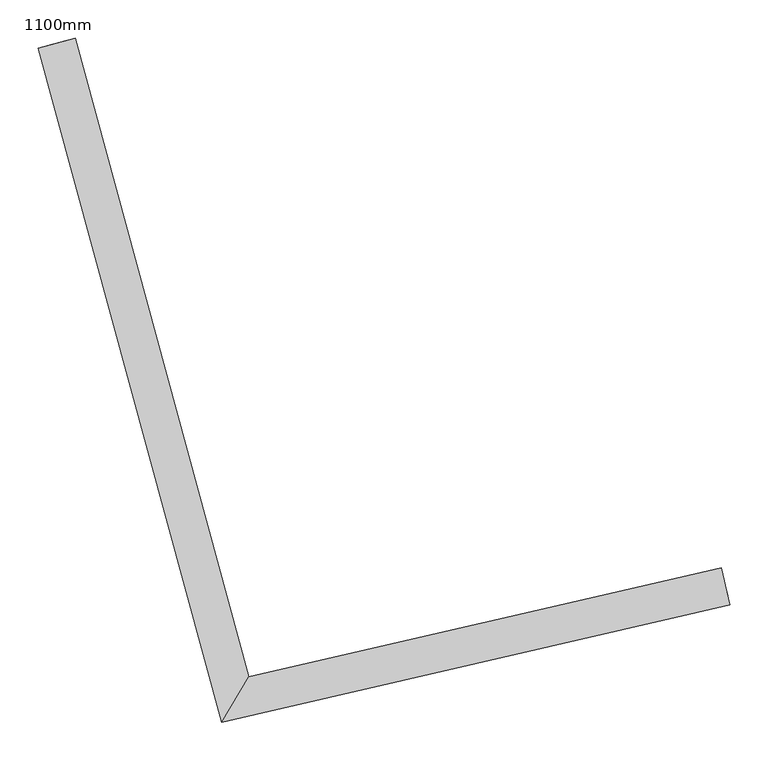
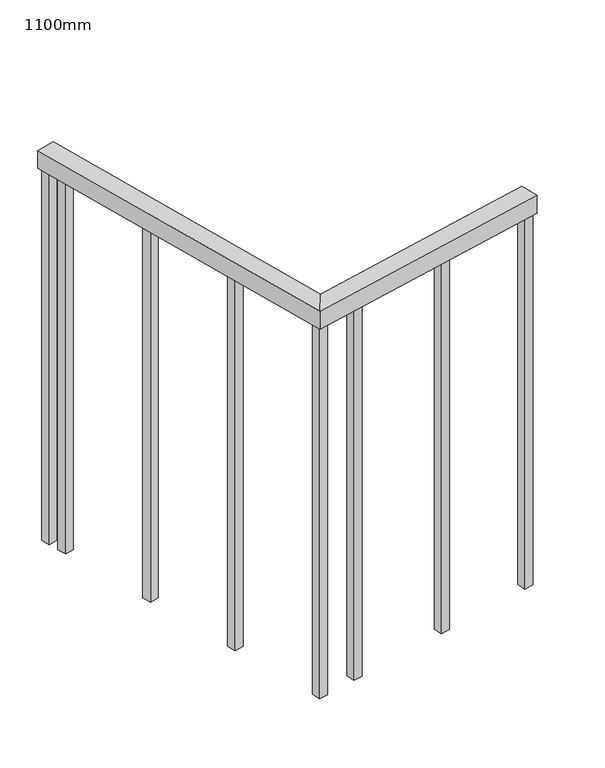
"""IFC4 building model written with IfcOpenShell, lengths in millimetres: railing geometry, 1100mm."""

import ifcopenshell
import ifcopenshell.guid

model = None  # the IFC model being written
_history = None  # IfcOwnerHistory: only IFC2X3 demands one
_inside = {}  # id of a spatial element -> (the spatial element, [elements in it])
_under = {}  # id of a project, library or spatial element -> (it, [spatial elements below it])
_declared = {}  # id of a project -> (the project, [libraries it declares])
_typed = {}  # id of a type object -> (the type object, [elements of that type])
_made_of = {}  # id of a material, layer set ... -> (it, [elements and type objects made of it])


def new_model(schema):
    """Start an empty IFC model of exactly this schema.

    Asked for "IFC4X3", IfcOpenShell would pick the latest addendum, in which some entities
    have other attributes; the version numbers below select the first issue.
    IFC2X3 requires an IfcOwnerHistory on every rooted entity: one is made here for all.
    """
    global model, _history
    if schema == "IFC4X3":
        model = ifcopenshell.file(schema_version=(4, 3, 0, 0))
    else:
        model = ifcopenshell.file(schema=schema)
    _inside.clear()
    _under.clear()
    _declared.clear()
    _typed.clear()
    _made_of.clear()
    _history = None
    if model.schema == "IFC2X3":
        org = make("IfcOrganization", Name="unknown")
        user = make(
            "IfcPersonAndOrganization",
            ThePerson=make("IfcPerson", FamilyName="unknown"),
            TheOrganization=org,
        )
        app = make(
            "IfcApplication",
            ApplicationDeveloper=org,
            Version="unknown",
            ApplicationFullName="unknown",
            ApplicationIdentifier="unknown",
        )
        _history = make(
            "IfcOwnerHistory",
            OwningUser=user,
            OwningApplication=app,
            ChangeAction="ADDED",
            CreationDate=0,
        )
    return model


def make(cls, **values):
    """One entity of the class cls with the attributes given. An attribute that is None is left unset."""
    return model.create_entity(
        cls, **{name: value for name, value in values.items() if value is not None}
    )


def rooted(cls, **values):
    """An entity with a GlobalId (a new one), such as an element, a storey or a relation."""
    return make(cls, GlobalId=ifcopenshell.guid.new(), OwnerHistory=_history, **values)


def si_unit(unit_type, name, prefix=None):
    """IfcSIUnit, for example si_unit("LENGTHUNIT", "METRE", prefix="MILLI")."""
    return make("IfcSIUnit", UnitType=unit_type, Prefix=prefix, Name=name)


def assignment(units):
    """IfcUnitAssignment: the units of a project."""
    return None if units is None else make("IfcUnitAssignment", Units=units)


def point(xyz):
    """IfcCartesianPoint."""
    return None if xyz is None else make("IfcCartesianPoint", Coordinates=xyz)


def direction(xyz):
    """IfcDirection."""
    return None if xyz is None else make("IfcDirection", DirectionRatios=xyz)


def frame(location, z_axis=None, x_axis=None):
    """IfcAxis2Placement3D, a coordinate frame: its origin and axes. An axis left out is left unset."""
    return make(
        "IfcAxis2Placement3D",
        Location=point(location),
        Axis=direction(z_axis),
        RefDirection=direction(x_axis),
    )


def origin():
    """The frame at (0, 0, 0) with its axes left unset."""
    return frame((0.0, 0.0, 0.0))


def place(relative_to, where):
    """IfcLocalPlacement: puts the frame where relative to a parent placement (None: the world)."""
    return make(
        "IfcLocalPlacement", PlacementRelTo=relative_to, RelativePlacement=where
    )


def context(
    kind, dimensions, precision=None, world=None, true_north=None, identifier=None
):
    """IfcGeometricRepresentationContext, for example the 3D "Model" context."""
    return make(
        "IfcGeometricRepresentationContext",
        ContextIdentifier=identifier,
        ContextType=kind,
        CoordinateSpaceDimension=dimensions,
        Precision=precision,
        WorldCoordinateSystem=world,
        TrueNorth=true_north,
    )


def project(units=None, contexts=None):
    """IfcProject with its units and contexts."""
    return rooted(
        "IfcProject",
        Name="project",
        RepresentationContexts=contexts,
        UnitsInContext=assignment(units),
    )


def spatial(cls, under=None, at=None, **own):
    """A site, building, storey or space (cls), placed at a placement, below another one or the project."""
    s = rooted(cls, ObjectPlacement=at, **own)
    if under is not None:
        _under.setdefault(under.id(), (under, []))[1].append(s)
    return s


def polyline(points):
    """IfcPolyline through the points."""
    return make("IfcPolyline", Points=[point(p) for p in points])


def outline(outer, holes=None, kind="AREA"):
    """IfcArbitraryClosedProfileDef: a profile drawn as a closed curve; with holes, ...WithVoids."""
    if holes is None:
        return make("IfcArbitraryClosedProfileDef", ProfileType=kind, OuterCurve=outer)
    return make(
        "IfcArbitraryProfileDefWithVoids",
        ProfileType=kind,
        OuterCurve=outer,
        InnerCurves=holes,
    )


def extrude(swept, where, along, depth):
    """IfcExtrudedAreaSolid: the profile swept, set in the frame where, extruded along a direction by depth."""
    return make(
        "IfcExtrudedAreaSolid",
        SweptArea=swept,
        Position=where,
        ExtrudedDirection=direction(along),
        Depth=depth,
    )


def faces_of(points, faces, orient=None, outer=None):
    """IfcFace entities. A face is a list of loops; a loop is a list of indices into points, from 0.

    orient and outer hold one flag for each loop. By default every Orientation is true, the
    first loop of a face is its IfcFaceOuterBound and the others are IfcFaceBound.
    """
    made = []
    for i, loops in enumerate(faces):
        bounds = []
        for j, loop in enumerate(loops):
            is_outer = j == 0 if outer is None else outer[i][j]
            bounds.append(
                make(
                    "IfcFaceOuterBound" if is_outer else "IfcFaceBound",
                    Bound=make("IfcPolyLoop", Polygon=[points[k] for k in loop]),
                    Orientation=True if orient is None else orient[i][j],
                )
            )
        made.append(make("IfcFace", Bounds=bounds))
    return made


def faceted_brep(points, faces, orient=None, outer=None, voids=None):
    """IfcFacetedBrep: a solid bounded by flat faces; with voids (closed shells), ...WithVoids."""
    shared = [point(p) for p in points]
    hull = make("IfcClosedShell", CfsFaces=faces_of(shared, faces, orient, outer))
    if voids is None:
        return make("IfcFacetedBrep", Outer=hull)
    return make(
        "IfcFacetedBrepWithVoids",
        Outer=hull,
        Voids=[
            make(cls, CfsFaces=faces_of(shared, fs, o, b)) for cls, fs, o, b in voids
        ],
    )


def shape(context_of_items, identifier, shape_type, items):
    """IfcShapeRepresentation: the items that make up one representation, for example the "Body"."""
    return make(
        "IfcShapeRepresentation",
        ContextOfItems=context_of_items,
        RepresentationIdentifier=identifier,
        RepresentationType=shape_type,
        Items=items,
    )


def source(mapping_origin, context_of_items, identifier, shape_type, items):
    """IfcRepresentationMap: a shape defined once, which mapped items show again and again."""
    return make(
        "IfcRepresentationMap",
        MappingOrigin=mapping_origin,
        MappedRepresentation=shape(context_of_items, identifier, shape_type, items),
    )


def transform(
    local_origin,
    x_axis=None,
    y_axis=None,
    z_axis=None,
    scale=None,
    scale2=None,
    scale3=None,
    uniform=True,
):
    """IfcCartesianTransformationOperator3D, or its non-uniform kind. x_axis, y_axis, z_axis: its Axis1, 2, 3."""
    if uniform:
        return make(
            "IfcCartesianTransformationOperator3D",
            Axis1=direction(x_axis),
            Axis2=direction(y_axis),
            LocalOrigin=point(local_origin),
            Scale=scale,
            Axis3=direction(z_axis),
        )
    return make(
        "IfcCartesianTransformationOperator3DnonUniform",
        Axis1=direction(x_axis),
        Axis2=direction(y_axis),
        LocalOrigin=point(local_origin),
        Scale=scale,
        Axis3=direction(z_axis),
        Scale2=scale2,
        Scale3=scale3,
    )


def mapped(mapping_source, mapping_target):
    """IfcMappedItem: shows the shape of a source again, moved by a transform."""
    return make(
        "IfcMappedItem", MappingSource=mapping_source, MappingTarget=mapping_target
    )


def made_of(thing, what):
    """Note that an element or type object is made of a material, layer set ...; save() writes the relation."""
    if what is not None:
        _made_of.setdefault(what.id(), (what, []))[1].append(thing)
    return thing


def element(
    cls,
    number,
    at=None,
    inside=None,
    cuts=None,
    type_object=None,
    material=None,
    context=None,
    identifier="Body",
    shape_type=None,
    held_by="IfcProductDefinitionShape",
    body=None,
    shapes=None,
    **own,
):
    """One element of the class cls, such as IfcWall. Its Tag is "e" and its number.

    at: its placement. inside: the storey or other place that contains it. cuts: it is an
    opening in that element (IfcRelVoidsElement). A single representation is given by context,
    identifier, shape_type and body (its items); several are given by shapes. held_by: the class
    of the entity that holds the representations. save() writes the other relations.
    """
    e = rooted(cls, Tag="e%d" % number, ObjectPlacement=at, **own)
    if body is not None:
        shapes = [shape(context, identifier, shape_type, body)]
    if shapes is not None:
        e.Representation = make(held_by, Representations=shapes)
    if inside is not None:
        _inside.setdefault(inside.id(), (inside, []))[1].append(e)
    if cuts is not None:
        rooted(
            "IfcRelVoidsElement", RelatingBuildingElement=cuts, RelatedOpeningElement=e
        )
    if type_object is not None:
        _typed.setdefault(type_object.id(), (type_object, []))[1].append(e)
    return made_of(e, material)


def aggregate(whole, parts):
    """IfcRelAggregates: a whole, such as a stair, and the parts it consists of."""
    return rooted("IfcRelAggregates", RelatingObject=whole, RelatedObjects=parts)


def save(model, path):
    """Write the relations noted so far, then the file.

    IfcRelAggregates (storeys below a building ...), IfcRelContainedInSpatialStructure (elements
    in a storey), IfcRelDefinesByType, IfcRelAssociatesMaterial and IfcRelDeclares: one each for
    every whole, place, type object, material and project.
    """
    for whole, parts in _under.values():
        aggregate(whole, parts)
    for where, things in _inside.values():
        rooted(
            "IfcRelContainedInSpatialStructure",
            RelatedElements=things,
            RelatingStructure=where,
        )
    for kind, things in _typed.values():
        rooted("IfcRelDefinesByType", RelatedObjects=things, RelatingType=kind)
    for what, things in _made_of.values():
        rooted("IfcRelAssociatesMaterial", RelatedObjects=things, RelatingMaterial=what)
    for by, libraries in _declared.values():
        rooted("IfcRelDeclares", RelatingContext=by, RelatedDefinitions=libraries)
    model.write(path)


def railing_1100mm_7f670976(model_context):
    return source(origin(), model_context, "Body", "SolidModel", [
        faceted_brep([(137137.1503427, 66941.0544552, 1700.0), (137148.3978955, 66892.3359519, 1700.0), (137148.3978955, 66892.3359519, 1650.0), (137137.1503427, 66941.0544552, 1650.0), (136519.0035977, 66798.3440343, 1700.0), (136483.3731322, 66738.8028878, 1700.0), (136483.3731322, 66738.8028878, 1650.0), (136519.0035977, 66798.3440343, 1650.0), (136291.7069088, 67634.5934939, 1700.0), (136291.7069088, 67634.5934939, 1650.0), (136243.4574381, 67621.4790521, 1650.0), (136243.4574381, 67621.4790521, 1700.0)], [[[0, 1, 2, 3]], [[1, 0, 4, 5]], [[2, 1, 5, 6]], [[3, 2, 6, 7]], [[0, 3, 7, 4]], [[8, 9, 10, 11]], [[5, 4, 8, 11]], [[6, 5, 11, 10]], [[7, 6, 10, 9]], [[4, 7, 9, 8]]]),
        extrude(outline(polyline([(136300.1410525, 67555.905969), (136276.0163172, 67549.3487481), (136269.4590962, 67573.4734834), (136293.5838316, 67580.0307043), (136300.1410525, 67555.905969)])), frame((0.0, 0.0, 600.0), z_axis=(0.0, 0.0, 1.0), x_axis=(1.0, 0.0, 0.0)), (0.0, 0.0, 1.0), 1050.0),
        extrude(outline(polyline([(136372.2704827, 67290.5338806), (136348.1457474, 67283.9766597), (136341.5885264, 67308.101395), (136365.7132617, 67314.6586159), (136372.2704827, 67290.5338806)])), frame((0.0, 0.0, 600.0), z_axis=(0.0, 0.0, 1.0), x_axis=(1.0, 0.0, 0.0)), (0.0, 0.0, 1.0), 1050.0),
        extrude(outline(polyline([(136444.3999129, 67025.1617922), (136420.2751775, 67018.6045713), (136413.7179566, 67042.7293066), (136437.8426919, 67049.2865275), (136444.3999129, 67025.1617922)])), frame((0.0, 0.0, 600.0), z_axis=(0.0, 0.0, 1.0), x_axis=(1.0, 0.0, 0.0)), (0.0, 0.0, 1.0), 1050.0),
        extrude(outline(polyline([(136616.2383211, 66807.9636376), (136621.8620975, 66783.604386), (136597.5028458, 66777.9806097), (136591.8790695, 66802.3398613), (136616.2383211, 66807.9636376)])), frame((0.0, 0.0, 600.0), z_axis=(0.0, 0.0, 1.0), x_axis=(1.0, 0.0, 0.0)), (0.0, 0.0, 1.0), 1050.0),
        extrude(outline(polyline([(136884.1900889, 66869.8251776), (136889.8138653, 66845.465926), (136865.4546137, 66839.8421496), (136859.8308373, 66864.2014012), (136884.1900889, 66869.8251776)])), frame((0.0, 0.0, 600.0), z_axis=(0.0, 0.0, 1.0), x_axis=(1.0, 0.0, 0.0)), (0.0, 0.0, 1.0), 1050.0),
        extrude(outline(polyline([(136510.5561025, 66783.564975), (136516.1798789, 66759.2057234), (136491.8206273, 66753.581947), (136486.1968509, 66777.9411987), (136510.5561025, 66783.564975)])), frame((0.0, 0.0, 600.0), z_axis=(0.0, 0.0, 1.0), x_axis=(1.0, 0.0, 0.0)), (0.0, 0.0, 1.0), 1050.0),
        extrude(outline(polyline([(136286.201762, 67607.1901481), (136262.0770267, 67600.6329272), (136255.5198058, 67624.7576625), (136279.6445411, 67631.3148835), (136286.201762, 67607.1901481)])), frame((0.0, 0.0, 600.0), z_axis=(0.0, 0.0, 1.0), x_axis=(1.0, 0.0, 0.0)), (0.0, 0.0, 1.0), 1050.0),
        extrude(outline(polyline([(137139.9622309, 66928.8748294), (137145.5860073, 66904.5155777), (137121.2267557, 66898.8918014), (137115.6029793, 66923.251053), (137139.9622309, 66928.8748294)])), frame((0.0, 0.0, 600.0), z_axis=(0.0, 0.0, 1.0), x_axis=(1.0, 0.0, 0.0)), (0.0, 0.0, 1.0), 1050.0),
    ])


if __name__ == "__main__":
    model = new_model("IFC4")
    model_context = context("Model", 3, world=origin())
    ifc_project = project(units=[si_unit("LENGTHUNIT", "METRE", prefix="MILLI")], contexts=[model_context])
    site = spatial("IfcSite", under=ifc_project)
    building = spatial("IfcBuilding", under=site)
    placement = place(None, origin())
    railing_1100mm_shape = railing_1100mm_7f670976(model_context)
    element("IfcRailing", 1, ObjectType="1100mm", at=placement, inside=building, context=model_context, shape_type="MappedRepresentation", body=[
        mapped(railing_1100mm_shape, transform((0.0, 0.0, 0.0), x_axis=(1.0, 0.0, 0.0), y_axis=(0.0, 1.0, 0.0), z_axis=(0.0, 0.0, 1.0))),
    ])
    save(model, "model.ifc")
